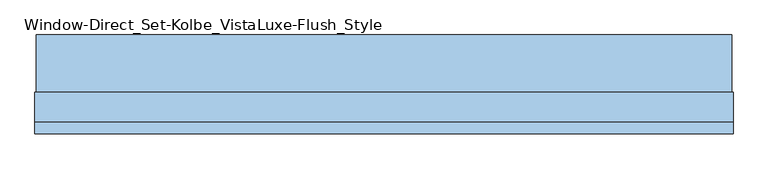
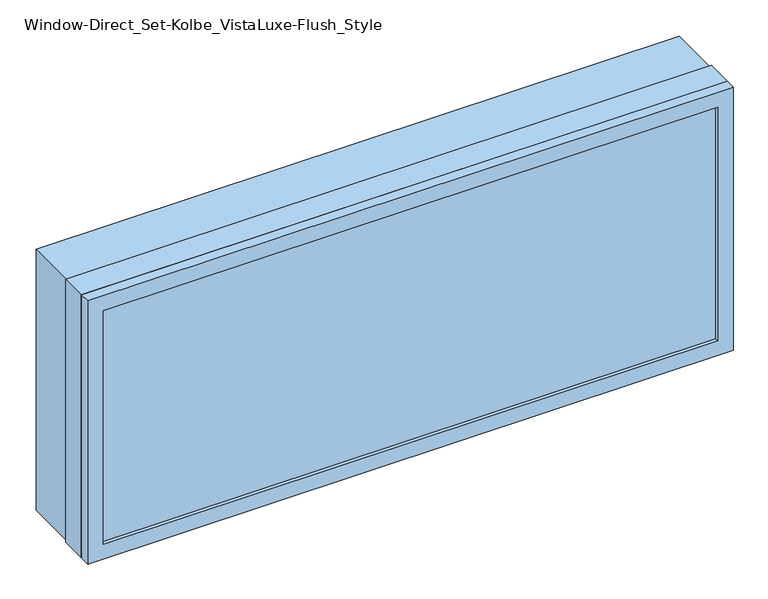
"""IFC4 building model written with IfcOpenShell, lengths in millimetres: window geometry, Window-Direct_Set-Kolbe_VistaLuxe-Flush_Style."""

import ifcopenshell
import ifcopenshell.guid

model = None  # the IFC model being written
_history = None  # IfcOwnerHistory: only IFC2X3 demands one
_inside = {}  # id of a spatial element -> (the spatial element, [elements in it])
_under = {}  # id of a project, library or spatial element -> (it, [spatial elements below it])
_declared = {}  # id of a project -> (the project, [libraries it declares])
_typed = {}  # id of a type object -> (the type object, [elements of that type])
_made_of = {}  # id of a material, layer set ... -> (it, [elements and type objects made of it])


def new_model(schema):
    """Start an empty IFC model of exactly this schema.

    Asked for "IFC4X3", IfcOpenShell would pick the latest addendum, in which some entities
    have other attributes; the version numbers below select the first issue.
    IFC2X3 requires an IfcOwnerHistory on every rooted entity: one is made here for all.
    """
    global model, _history
    if schema == "IFC4X3":
        model = ifcopenshell.file(schema_version=(4, 3, 0, 0))
    else:
        model = ifcopenshell.file(schema=schema)
    _inside.clear()
    _under.clear()
    _declared.clear()
    _typed.clear()
    _made_of.clear()
    _history = None
    if model.schema == "IFC2X3":
        org = make("IfcOrganization", Name="unknown")
        user = make(
            "IfcPersonAndOrganization",
            ThePerson=make("IfcPerson", FamilyName="unknown"),
            TheOrganization=org,
        )
        app = make(
            "IfcApplication",
            ApplicationDeveloper=org,
            Version="unknown",
            ApplicationFullName="unknown",
            ApplicationIdentifier="unknown",
        )
        _history = make(
            "IfcOwnerHistory",
            OwningUser=user,
            OwningApplication=app,
            ChangeAction="ADDED",
            CreationDate=0,
        )
    return model


def make(cls, **values):
    """One entity of the class cls with the attributes given. An attribute that is None is left unset."""
    return model.create_entity(
        cls, **{name: value for name, value in values.items() if value is not None}
    )


def rooted(cls, **values):
    """An entity with a GlobalId (a new one), such as an element, a storey or a relation."""
    return make(cls, GlobalId=ifcopenshell.guid.new(), OwnerHistory=_history, **values)


def si_unit(unit_type, name, prefix=None):
    """IfcSIUnit, for example si_unit("LENGTHUNIT", "METRE", prefix="MILLI")."""
    return make("IfcSIUnit", UnitType=unit_type, Prefix=prefix, Name=name)


def assignment(units):
    """IfcUnitAssignment: the units of a project."""
    return None if units is None else make("IfcUnitAssignment", Units=units)


def point(xyz):
    """IfcCartesianPoint."""
    return None if xyz is None else make("IfcCartesianPoint", Coordinates=xyz)


def direction(xyz):
    """IfcDirection."""
    return None if xyz is None else make("IfcDirection", DirectionRatios=xyz)


def frame(location, z_axis=None, x_axis=None):
    """IfcAxis2Placement3D, a coordinate frame: its origin and axes. An axis left out is left unset."""
    return make(
        "IfcAxis2Placement3D",
        Location=point(location),
        Axis=direction(z_axis),
        RefDirection=direction(x_axis),
    )


def origin():
    """The frame at (0, 0, 0) with its axes left unset."""
    return frame((0.0, 0.0, 0.0))


def place(relative_to, where):
    """IfcLocalPlacement: puts the frame where relative to a parent placement (None: the world)."""
    return make(
        "IfcLocalPlacement", PlacementRelTo=relative_to, RelativePlacement=where
    )


def context(
    kind, dimensions, precision=None, world=None, true_north=None, identifier=None
):
    """IfcGeometricRepresentationContext, for example the 3D "Model" context."""
    return make(
        "IfcGeometricRepresentationContext",
        ContextIdentifier=identifier,
        ContextType=kind,
        CoordinateSpaceDimension=dimensions,
        Precision=precision,
        WorldCoordinateSystem=world,
        TrueNorth=true_north,
    )


def project(units=None, contexts=None):
    """IfcProject with its units and contexts."""
    return rooted(
        "IfcProject",
        Name="project",
        RepresentationContexts=contexts,
        UnitsInContext=assignment(units),
    )


def spatial(cls, under=None, at=None, **own):
    """A site, building, storey or space (cls), placed at a placement, below another one or the project."""
    s = rooted(cls, ObjectPlacement=at, **own)
    if under is not None:
        _under.setdefault(under.id(), (under, []))[1].append(s)
    return s


def polyline(points):
    """IfcPolyline through the points."""
    return make("IfcPolyline", Points=[point(p) for p in points])


def outline(outer, holes=None, kind="AREA"):
    """IfcArbitraryClosedProfileDef: a profile drawn as a closed curve; with holes, ...WithVoids."""
    if holes is None:
        return make("IfcArbitraryClosedProfileDef", ProfileType=kind, OuterCurve=outer)
    return make(
        "IfcArbitraryProfileDefWithVoids",
        ProfileType=kind,
        OuterCurve=outer,
        InnerCurves=holes,
    )


def extrude(swept, where, along, depth):
    """IfcExtrudedAreaSolid: the profile swept, set in the frame where, extruded along a direction by depth."""
    return make(
        "IfcExtrudedAreaSolid",
        SweptArea=swept,
        Position=where,
        ExtrudedDirection=direction(along),
        Depth=depth,
    )


def faces_of(points, faces, orient=None, outer=None):
    """IfcFace entities. A face is a list of loops; a loop is a list of indices into points, from 0.

    orient and outer hold one flag for each loop. By default every Orientation is true, the
    first loop of a face is its IfcFaceOuterBound and the others are IfcFaceBound.
    """
    made = []
    for i, loops in enumerate(faces):
        bounds = []
        for j, loop in enumerate(loops):
            is_outer = j == 0 if outer is None else outer[i][j]
            bounds.append(
                make(
                    "IfcFaceOuterBound" if is_outer else "IfcFaceBound",
                    Bound=make("IfcPolyLoop", Polygon=[points[k] for k in loop]),
                    Orientation=True if orient is None else orient[i][j],
                )
            )
        made.append(make("IfcFace", Bounds=bounds))
    return made


def faceted_brep(points, faces, orient=None, outer=None, voids=None):
    """IfcFacetedBrep: a solid bounded by flat faces; with voids (closed shells), ...WithVoids."""
    shared = [point(p) for p in points]
    hull = make("IfcClosedShell", CfsFaces=faces_of(shared, faces, orient, outer))
    if voids is None:
        return make("IfcFacetedBrep", Outer=hull)
    return make(
        "IfcFacetedBrepWithVoids",
        Outer=hull,
        Voids=[
            make(cls, CfsFaces=faces_of(shared, fs, o, b)) for cls, fs, o, b in voids
        ],
    )


def shape(context_of_items, identifier, shape_type, items):
    """IfcShapeRepresentation: the items that make up one representation, for example the "Body"."""
    return make(
        "IfcShapeRepresentation",
        ContextOfItems=context_of_items,
        RepresentationIdentifier=identifier,
        RepresentationType=shape_type,
        Items=items,
    )


def source(mapping_origin, context_of_items, identifier, shape_type, items):
    """IfcRepresentationMap: a shape defined once, which mapped items show again and again."""
    return make(
        "IfcRepresentationMap",
        MappingOrigin=mapping_origin,
        MappedRepresentation=shape(context_of_items, identifier, shape_type, items),
    )


def transform(
    local_origin,
    x_axis=None,
    y_axis=None,
    z_axis=None,
    scale=None,
    scale2=None,
    scale3=None,
    uniform=True,
):
    """IfcCartesianTransformationOperator3D, or its non-uniform kind. x_axis, y_axis, z_axis: its Axis1, 2, 3."""
    if uniform:
        return make(
            "IfcCartesianTransformationOperator3D",
            Axis1=direction(x_axis),
            Axis2=direction(y_axis),
            LocalOrigin=point(local_origin),
            Scale=scale,
            Axis3=direction(z_axis),
        )
    return make(
        "IfcCartesianTransformationOperator3DnonUniform",
        Axis1=direction(x_axis),
        Axis2=direction(y_axis),
        LocalOrigin=point(local_origin),
        Scale=scale,
        Axis3=direction(z_axis),
        Scale2=scale2,
        Scale3=scale3,
    )


def mapped(mapping_source, mapping_target):
    """IfcMappedItem: shows the shape of a source again, moved by a transform."""
    return make(
        "IfcMappedItem", MappingSource=mapping_source, MappingTarget=mapping_target
    )


def made_of(thing, what):
    """Note that an element or type object is made of a material, layer set ...; save() writes the relation."""
    if what is not None:
        _made_of.setdefault(what.id(), (what, []))[1].append(thing)
    return thing


def element(
    cls,
    number,
    at=None,
    inside=None,
    cuts=None,
    type_object=None,
    material=None,
    context=None,
    identifier="Body",
    shape_type=None,
    held_by="IfcProductDefinitionShape",
    body=None,
    shapes=None,
    **own,
):
    """One element of the class cls, such as IfcWall. Its Tag is "e" and its number.

    at: its placement. inside: the storey or other place that contains it. cuts: it is an
    opening in that element (IfcRelVoidsElement). A single representation is given by context,
    identifier, shape_type and body (its items); several are given by shapes. held_by: the class
    of the entity that holds the representations. save() writes the other relations.
    """
    e = rooted(cls, Tag="e%d" % number, ObjectPlacement=at, **own)
    if body is not None:
        shapes = [shape(context, identifier, shape_type, body)]
    if shapes is not None:
        e.Representation = make(held_by, Representations=shapes)
    if inside is not None:
        _inside.setdefault(inside.id(), (inside, []))[1].append(e)
    if cuts is not None:
        rooted(
            "IfcRelVoidsElement", RelatingBuildingElement=cuts, RelatedOpeningElement=e
        )
    if type_object is not None:
        _typed.setdefault(type_object.id(), (type_object, []))[1].append(e)
    return made_of(e, material)


def aggregate(whole, parts):
    """IfcRelAggregates: a whole, such as a stair, and the parts it consists of."""
    return rooted("IfcRelAggregates", RelatingObject=whole, RelatedObjects=parts)


def save(model, path):
    """Write the relations noted so far, then the file.

    IfcRelAggregates (storeys below a building ...), IfcRelContainedInSpatialStructure (elements
    in a storey), IfcRelDefinesByType, IfcRelAssociatesMaterial and IfcRelDeclares: one each for
    every whole, place, type object, material and project.
    """
    for whole, parts in _under.values():
        aggregate(whole, parts)
    for where, things in _inside.values():
        rooted(
            "IfcRelContainedInSpatialStructure",
            RelatedElements=things,
            RelatingStructure=where,
        )
    for kind, things in _typed.values():
        rooted("IfcRelDefinesByType", RelatedObjects=things, RelatingType=kind)
    for what, things in _made_of.values():
        rooted("IfcRelAssociatesMaterial", RelatedObjects=things, RelatingMaterial=what)
    for by, libraries in _declared.values():
        rooted("IfcRelDeclares", RelatingContext=by, RelatedDefinitions=libraries)
    model.write(path)


def window_direct_set_kolbe_vistaluxe_flush_style_a0fde2e0(model_context):
    return source(origin(), model_context, "Body", "SolidModel", [
        extrude(outline(polyline([(1622.425, 816.1496242), (1622.425, -828.5003758), (917.575, -828.5003758), (917.575, 816.1496242), (1622.425, 816.1496242)]), holes=[polyline([(936.625, 797.0996242), (936.625, -809.4503758), (1603.375, -809.4503758), (1603.375, 797.0996242), (936.625, 797.0996242)])]), frame((0.0, -32.5247, 0.0), z_axis=(0.0, 1.0, 0.0), x_axis=(0.0, 0.0, 1.0)), (0.0, 0.0, 1.0), 135.7122),
        extrude(outline(polyline([(936.625, 797.0996242), (1603.375, 797.0996242), (1603.375, -809.4503758), (936.625, -809.4503758), (936.625, 797.0996242)]), holes=[polyline([(954.0875, -791.9878758), (1585.9125, -791.9878758), (1585.9125, 779.6371242), (954.0875, 779.6371242), (954.0875, -791.9878758)])]), frame((0.0, -99.15525, 0.0), z_axis=(0.0, 1.0, 0.0), x_axis=(0.0, 0.0, 1.0)), (0.0, 0.0, 1.0), 69.8246),
        faceted_brep([(819.3246242, -130.1115, 1625.6), (819.3246242, -103.1875, 1625.6), (-831.6753758, -103.1875, 1625.6), (-831.6753758, -130.1115, 1625.6), (779.6373659, -121.38025, 1585.9127418), (779.6373659, -130.1115, 1585.9127418), (-791.9881176, -130.1115, 1585.9127418), (-791.9881176, -121.38025, 1585.9127418), (797.0996242, -103.1875, 1603.375), (797.0996242, -121.38025, 1603.375), (-809.4503758, -121.38025, 1603.375), (-809.4503758, -103.1875, 1603.375), (-831.6753758, -103.1875, 914.4), (-831.6753758, -130.1115, 914.4), (-791.9881176, -130.1115, 954.0872582), (-791.9881176, -121.38025, 954.0872582), (-809.4503758, -121.38025, 936.625), (-809.4503758, -103.1875, 936.625), (819.3246242, -103.1875, 914.4), (819.3246242, -130.1115, 914.4), (779.6373659, -130.1115, 954.0872582), (779.6373659, -121.38025, 954.0872582), (797.0996242, -121.38025, 936.625), (797.0996242, -103.1875, 936.625)], [[[0, 1, 2, 3]], [[4, 5, 6, 7]], [[8, 9, 10, 11]], [[3, 2, 12, 13]], [[7, 6, 14, 15]], [[11, 10, 16, 17]], [[13, 12, 18, 19]], [[15, 14, 20, 21]], [[17, 16, 22, 23]], [[19, 18, 1, 0]], [[3, 13, 19, 0], [5, 20, 14, 6]], [[21, 20, 5, 4]], [[9, 22, 16, 10], [7, 15, 21, 4]], [[23, 22, 9, 8]], [[1, 18, 12, 2], [11, 17, 23, 8]]]),
        extrude(outline(polyline([(914.4, 819.3246242), (1625.6, 819.3246242), (1625.6, -831.6753758), (914.4, -831.6753758), (914.4, 819.3246242)]), holes=[polyline([(936.625, -809.4503758), (1603.375, -809.4503758), (1603.375, 797.0996242), (936.625, 797.0996242), (936.625, -809.4503758)])]), frame((0.0, -103.1875, 0.0), z_axis=(0.0, 1.0, 0.0), x_axis=(0.0, 0.0, 1.0)), (0.0, 0.0, 1.0), 70.6628),
        extrude(outline(polyline([(794.7183742, -102.33025), (-807.0691258, -102.33025), (-807.0691258, -99.15525), (794.7183742, -99.15525), (794.7183742, -102.33025)])), frame((0.0, 0.0, 946.15), z_axis=(0.0, 0.0, 1.0), x_axis=(1.0, 0.0, 0.0)), (0.0, 0.0, 1.0), 647.7),
        extrude(outline(polyline([(794.7183742, -118.20525), (794.7183742, -121.38025), (-807.0691258, -121.38025), (-807.0691258, -118.20525), (794.7183742, -118.20525)])), frame((0.0, 0.0, 946.15), z_axis=(0.0, 0.0, 1.0), x_axis=(1.0, 0.0, 0.0)), (0.0, 0.0, 1.0), 647.7),
    ])


if __name__ == "__main__":
    model = new_model("IFC4")
    model_context = context("Model", 3, world=origin())
    ifc_project = project(units=[si_unit("LENGTHUNIT", "METRE", prefix="MILLI")], contexts=[model_context])
    site = spatial("IfcSite", under=ifc_project)
    building = spatial("IfcBuilding", under=site)
    placement = place(None, origin())
    window_direct_set_kolbe_vistaluxe_flush_style_shape = window_direct_set_kolbe_vistaluxe_flush_style_a0fde2e0(model_context)
    element("IfcWindow", 1, ObjectType="Window-Direct_Set-Kolbe_VistaLuxe-Flush_Style", at=placement, inside=building, context=model_context, shape_type="MappedRepresentation", body=[
        mapped(window_direct_set_kolbe_vistaluxe_flush_style_shape, transform((0.0, 0.0, 0.0), x_axis=(1.0, 0.0, 0.0), y_axis=(0.0, 1.0, 0.0), z_axis=(0.0, 0.0, 1.0))),
    ])
    save(model, "model.ifc")
